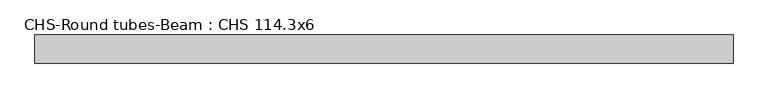
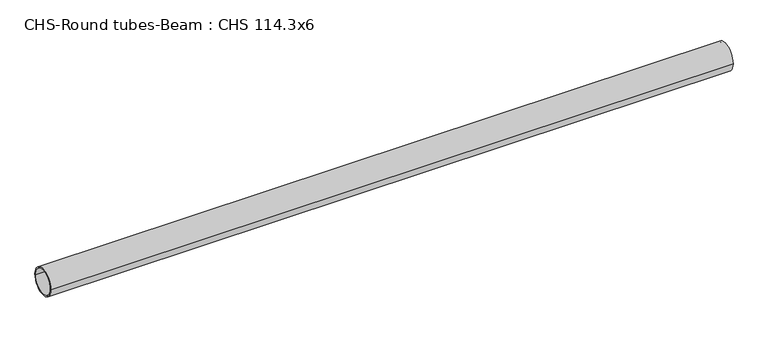
"""IFC4 building model written with IfcOpenShell, lengths in millimetres: beam geometry, CHS-Round tubes-Beam : CHS 114.3x6."""

from ifc_helpers import new_model, si_unit, point, frame, origin, origin_2d, place, context, project, spatial, circle_curve, trimmed, segment, composite_curve, outline, extrude, source, transform, mapped, element, save


def chs_round_tubes_beam_chs_114_3x6_b26fd546(model_context):
    return source(origin(), model_context, "Body", "SweptSolid", [
        extrude(outline(composite_curve([segment(trimmed(circle_curve(origin_2d(), 57.15), [point((57.15, 0.0))], [point((-57.15, 0.0))], False, "CARTESIAN"), True, "CONTINUOUS"), segment(trimmed(circle_curve(origin_2d(), 57.15), [point((-57.15, 0.0))], [point((57.15, 0.0))], False, "CARTESIAN"), True, "CONTINUOUS")], self_intersect=False), holes=[composite_curve([segment(trimmed(circle_curve(origin_2d(), 51.15), [point((51.15, 0.0))], [point((-51.15, 0.0))], True, "CARTESIAN"), True, "CONTINUOUS"), segment(trimmed(circle_curve(origin_2d(), 51.15), [point((-51.15, 0.0))], [point((51.15, 0.0))], True, "CARTESIAN"), True, "CONTINUOUS")], self_intersect=False)]), frame((-1426.4257192, 0.0, 0.0), z_axis=(1.0, 0.0, 0.0), x_axis=(0.0, 1.0, 0.0)), (0.0, 0.0, 1.0), 2837.6164196),
    ])


if __name__ == "__main__":
    model = new_model("IFC4")
    model_context = context("Model", 3, world=origin())
    ifc_project = project(units=[si_unit("LENGTHUNIT", "METRE", prefix="MILLI")], contexts=[model_context])
    site = spatial("IfcSite", under=ifc_project)
    building = spatial("IfcBuilding", under=site)
    placement = place(None, origin())
    chs_round_tubes_beam_chs_114_3x6_shape = chs_round_tubes_beam_chs_114_3x6_b26fd546(model_context)
    element("IfcBeam", 1, ObjectType="CHS-Round tubes-Beam : CHS 114.3x6", at=placement, inside=building, context=model_context, shape_type="MappedRepresentation", body=[
        mapped(chs_round_tubes_beam_chs_114_3x6_shape, transform((0.0, 0.0, 0.0), x_axis=(1.0, 0.0, 0.0), y_axis=(0.0, 1.0, 0.0), z_axis=(0.0, 0.0, 1.0))),
    ])
    save(model, "model.ifc")
